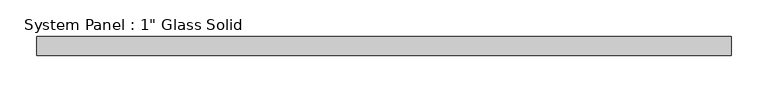
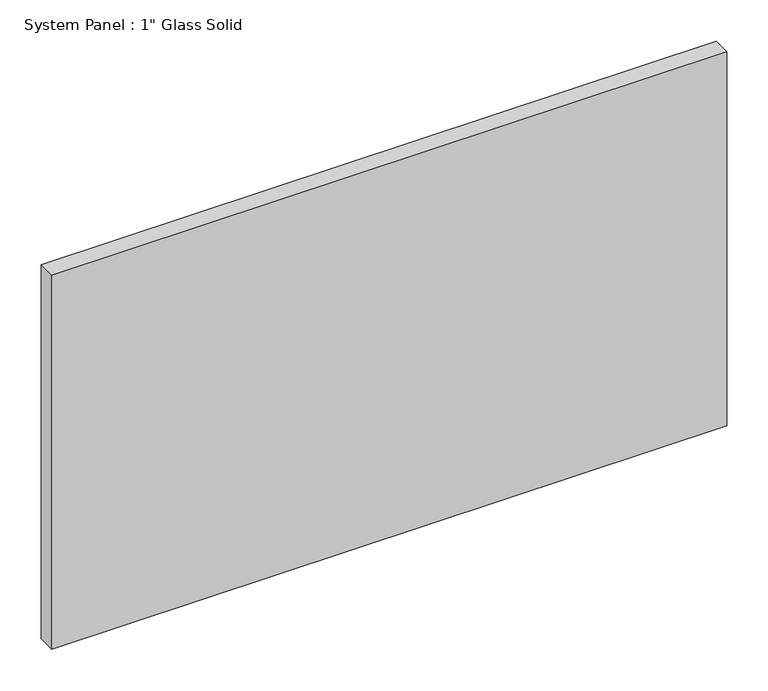
"""IFC4 building model written with IfcOpenShell, lengths in millimetres: plate geometry."""

from ifc_helpers import new_model, si_unit, origin, origin_with_axes, place, context, project, spatial, polyline, outline, extrude, source, transform, mapped, element, save


def plate_628c5c83(model_context):
    return source(origin(), model_context, "Body", "SweptSolid", [
        extrude(outline(polyline([(471.4875, -12.7), (-471.4875, -12.7), (-471.4875, 12.7), (471.4875, 12.7), (471.4875, -12.7)])), origin_with_axes(), (0.0, 0.0, 1.0), 552.4517704),
    ])


if __name__ == "__main__":
    model = new_model("IFC4")
    model_context = context("Model", 3, world=origin())
    ifc_project = project(units=[si_unit("LENGTHUNIT", "METRE", prefix="MILLI")], contexts=[model_context])
    site = spatial("IfcSite", under=ifc_project)
    building = spatial("IfcBuilding", under=site)
    placement = place(None, origin())
    plate_shape = plate_628c5c83(model_context)
    element("IfcPlate", 1, ObjectType="System Panel : 1\" Glass Solid", at=placement, inside=building, context=model_context, shape_type="MappedRepresentation", body=[
        mapped(plate_shape, transform((0.0, 0.0, 0.0), x_axis=(1.0, 0.0, 0.0), y_axis=(0.0, 1.0, 0.0), z_axis=(0.0, 0.0, 1.0))),
    ])
    save(model, "model.ifc")
